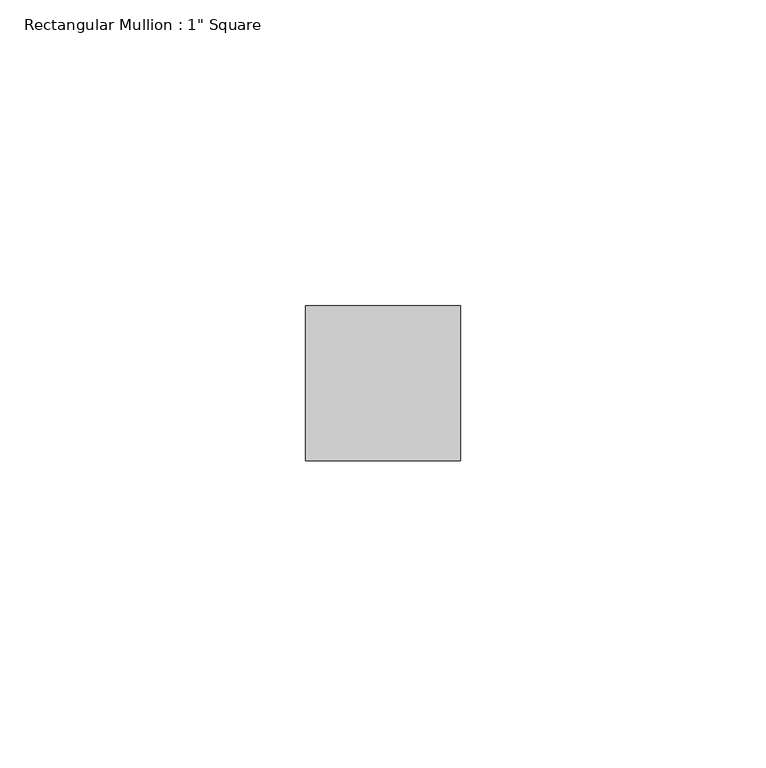
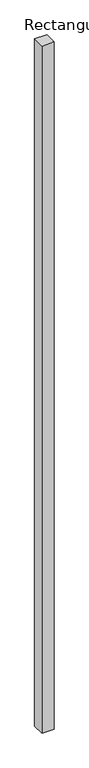
"""IFC4 building model written with IfcOpenShell, lengths in millimetres: member geometry."""

from ifc_helpers import new_model, si_unit, frame, origin, place, context, project, spatial, polyline, outline, extrude, source, transform, mapped, element, save


def member_6604d1e0(model_context):
    return source(origin(), model_context, "Body", "SweptSolid", [
        extrude(outline(polyline([(0.0, 12.7), (0.0, -12.7), (-25.4, -12.7), (-25.4, 12.7), (0.0, 12.7)])), frame((0.0, 0.0, -1498.6), z_axis=(0.0, 0.0, 1.0), x_axis=(1.0, 0.0, 0.0)), (0.0, 0.0, 1.0), 1498.6),
    ])


if __name__ == "__main__":
    model = new_model("IFC4")
    model_context = context("Model", 3, world=origin())
    ifc_project = project(units=[si_unit("LENGTHUNIT", "METRE", prefix="MILLI")], contexts=[model_context])
    site = spatial("IfcSite", under=ifc_project)
    building = spatial("IfcBuilding", under=site)
    placement = place(None, origin())
    member_shape = member_6604d1e0(model_context)
    element("IfcMember", 1, ObjectType="Rectangular Mullion : 1\" Square", at=placement, inside=building, context=model_context, shape_type="MappedRepresentation", body=[
        mapped(member_shape, transform((0.0, 0.0, 0.0), x_axis=(1.0, 0.0, 0.0), y_axis=(0.0, 1.0, 0.0), z_axis=(0.0, 0.0, 1.0))),
    ])
    save(model, "model.ifc")
